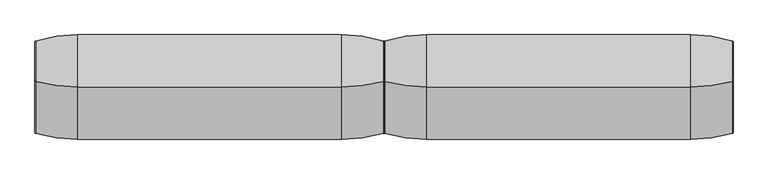
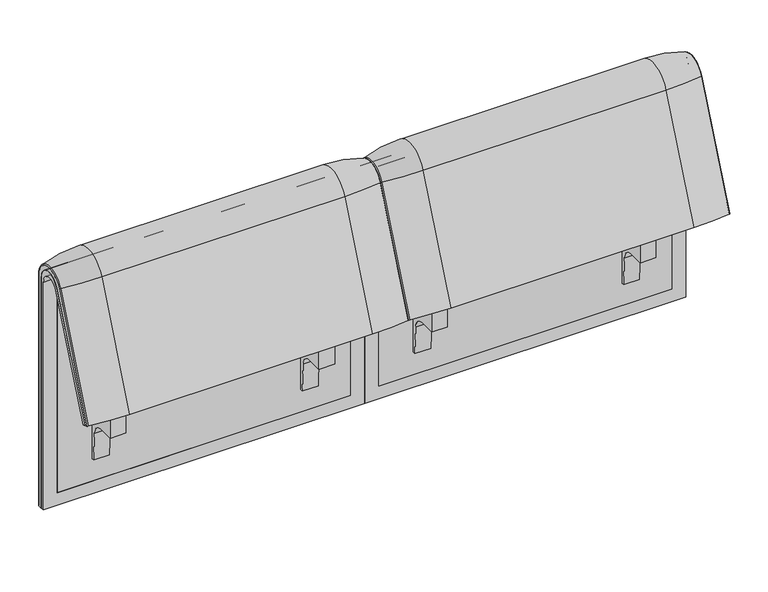
"""IFC4 building model written with IfcOpenShell, lengths in millimetres: furniture geometry."""

from ifc_helpers import new_model, si_unit, point, frame, frame_2d, origin, place, context, project, spatial, polyline, circle_curve, ellipse_curve, trimmed, segment, composite_curve, outline, extrude, source, transform, mapped, element, save
from ifc_brep_helpers import plane_surface, cylinder_surface, revolved_surface, advanced_brep


def furniture_6448b283(model_context):
    return source(origin(), model_context, "Body", "SolidModel", [
        advanced_brep(
        [(1223.9884174, 351.0000061, 101.8476716), (1223.9884174, 359.7858817, 101.8476716), (1223.9884174, 359.7858817, 720.3417731), (1223.9884174, 292.4403877, 733.7122262), (1223.9884174, 170.1966807, 437.98305), (1223.9884174, 175.0204081, 435.9866665), (1223.9884174, 296.2458652, 723.9869215), (1223.9884174, 351.0000061, 712.9272623), (408.0071685, 351.0000061, 101.8476716), (408.0071685, 351.0000061, 712.9272623), (408.0071685, 296.2720241, 723.9759107), (408.0071685, 175.0204081, 435.9866665), (408.0071685, 170.1966807, 437.98305), (408.0071685, 292.4403877, 733.7122262), (408.0071685, 359.7858817, 720.3417731), (408.0071685, 359.7858817, 101.8476716), (1189.0718733, 292.4403877, 733.7122262), (1189.0718733, 176.0980387, 452.25948), (442.8906244, 176.0980387, 452.25948), (442.8906244, 292.4403877, 733.7122262), (442.8906244, 296.2458652, 723.9869215), (442.8906244, 181.0136548, 450.2250668), (1189.0718733, 181.0136548, 450.2250668), (1189.0718733, 296.2458652, 723.9869215), (1189.0718733, 351.0000061, 712.9272623), (1189.0718733, 351.0000061, 135.3766997), (442.8906244, 351.0000061, 135.3766997), (442.8906244, 351.0000061, 712.9272623), (442.8906244, 359.7858817, 720.3417731), (442.8906244, 359.7858817, 135.3766997), (1189.0718733, 359.7858817, 135.3766997), (1189.0718733, 359.7858817, 720.3417731)],
        [
            (0, 1),
            (1, 2),
            (2, 3, circle_curve(frame((1223.9884174, 324.7858817, 720.3417731), z_axis=(1.0, 0.0, 0.0), x_axis=(0.0, -1.0, 0.0)), 35.0)),
            (3, 4),
            (4, 5),
            (5, 6),
            (6, 7, circle_curve(frame((1223.9884174, 322.520748, 712.9272623), z_axis=(-1.0, 0.0, 0.0), x_axis=(0.0, -1.0, 0.0)), 28.479258)),
            (7, 0),
            (8, 9),
            (9, 10, circle_curve(frame((408.0071685, 322.520748, 712.9272623), z_axis=(1.0, 0.0, 0.0), x_axis=(0.0, -1.0, 0.0)), 28.479258)),
            (10, 11),
            (11, 12),
            (12, 13),
            (13, 14, circle_curve(frame((408.0071685, 324.7858817, 720.3417731), z_axis=(-1.0, 0.0, 0.0), x_axis=(0.0, -1.0, 0.0)), 35.0)),
            (14, 15),
            (15, 8),
            (3, 16),
            (16, 17),
            (17, 18),
            (18, 19),
            (19, 13),
            (12, 4),
            (11, 5),
            (10, 20),
            (20, 21),
            (21, 22),
            (22, 23),
            (23, 6),
            (7, 24),
            (24, 25),
            (25, 26),
            (26, 27),
            (27, 9),
            (8, 0),
            (15, 1),
            (14, 28),
            (28, 29),
            (29, 30),
            (30, 31),
            (31, 2),
            (31, 16, circle_curve(frame((1189.0718733, 324.7858817, 720.3417731), z_axis=(1.0, 0.0, 0.0), x_axis=(0.0, -1.0, 0.0)), 35.0)),
            (19, 28, circle_curve(frame((442.8906244, 324.7858817, 720.3417731), z_axis=(-1.0, 0.0, 0.0), x_axis=(0.0, -1.0, 0.0)), 35.0)),
            (23, 24, circle_curve(frame((1189.0718733, 322.520748, 712.9272623), z_axis=(-1.0, 0.0, 0.0), x_axis=(0.0, -1.0, 0.0)), 28.479258)),
            (27, 20, circle_curve(frame((442.8906244, 322.520748, 712.9272623), z_axis=(1.0, 0.0, 0.0), x_axis=(0.0, -1.0, 0.0)), 28.479258)),
            (22, 17),
            (30, 25),
            (26, 29),
            (18, 21),
        ],
        [
            plane_surface(frame((1223.9884174, 359.7858817, 101.8476716), z_axis=(1.0, 0.0, 0.0), x_axis=(0.0, 1.0, 0.0))),
            plane_surface(frame((408.0071685, 359.7858817, 101.8476716), z_axis=(-1.0, 0.0, 0.0), x_axis=(0.0, -1.0, 0.0))),
            plane_surface(frame((1223.9884174, 292.4403877, 733.7122262), z_axis=(0.0, -0.9241569717933176, 0.3820129467515535), x_axis=(-1.0, 0.0, 0.0))),
            plane_surface(frame((1223.9884174, 170.1966807, 437.98305), z_axis=(0.0, -0.38241039441983893, -0.9239925812687368), x_axis=(-1.0, 0.0, 0.0))),
            plane_surface(frame((1223.9884174, 175.0204081, 435.9866665), z_axis=(0.0, 0.921678643444566, -0.3879542218073993), x_axis=(-1.0, 0.0, 0.0))),
            plane_surface(frame((1223.9884174, 351.0000061, 712.9272623), z_axis=(0.0, -1.0, 0.0), x_axis=(-1.0, 0.0, 0.0))),
            plane_surface(frame((1223.9884174, 351.0000061, 101.8476716), z_axis=(0.0, 0.0, -1.0), x_axis=(-1.0, 0.0, 0.0))),
            plane_surface(frame((1223.9884174, 359.7858817, 101.8476716), z_axis=(0.0, 1.0, 0.0), x_axis=(-1.0, 0.0, 0.0))),
            cylinder_surface(frame((408.0071685, 324.7858817, 720.3417731), z_axis=(1.0, 0.0, 0.0), x_axis=(0.0, -1.0, 0.0)), 35.0),
            revolved_surface(polyline([(1189.0718733, 294.04149, 712.9272623), (1223.9884174, 294.04149, 712.9272623)]), (408.0071685, 322.520748, 712.9272623), (-1.0, 0.0, 0.0)),
            revolved_surface(polyline([(408.0071685, 294.04149, 712.9272623), (442.8906244, 294.04149, 712.9272623)]), (408.0071685, 322.520748, 712.9272623), (-1.0, 0.0, 0.0)),
            plane_surface(frame((1189.0718733, 359.7858817, 135.3766997), z_axis=(-1.0, 0.0, 0.0), x_axis=(0.0, 1.0, 0.0))),
            plane_surface(frame((442.8906244, 359.7858817, 135.3766997), z_axis=(1.0, 0.0, 0.0), x_axis=(0.0, -1.0, 0.0))),
            plane_surface(frame((1189.0718733, 166.9120641, 456.0612553), z_axis=(0.0, 0.38241039441982605, 0.9239925812687422), x_axis=(-1.0, 0.0, 0.0))),
            plane_surface(frame((1189.0718733, 344.7858817, 135.3766997), z_axis=(0.0, 0.0, 1.0), x_axis=(-1.0, 0.0, 0.0))),
        ],
        [
            (0, [[1, 2, 3, 4, 5, 6, 7, 8]]),
            (1, [[9, 10, 11, 12, 13, 14, 15, 16]]),
            (2, [[-4, 17, 18, 19, 20, 21, -13, 22]]),
            (3, [[-5, -22, -12, 23]]),
            (4, [[-6, -23, -11, 24, 25, 26, 27, 28]]),
            (5, [[-8, 29, 30, 31, 32, 33, -9, 34]]),
            (6, [[-1, -34, -16, 35]]),
            (7, [[-2, -35, -15, 36, 37, 38, 39, 40]]),
            (8, [[-3, -40, 41, -17]]),
            (8, [[-14, -21, 42, -36]]),
            (9, [[-7, -28, 43, -29]]),
            (10, [[-10, -33, 44, -24]]),
            (11, [[45, -18, -41, -39, 46, -30, -43, -27]]),
            (12, [[47, -37, -42, -20, 48, -25, -44, -32]]),
            (13, [[-45, -26, -48, -19]]),
            (14, [[-46, -38, -47, -31]]),
        ],
    ),
        advanced_brep(
        [(1189.0718733, 351.0000061, 135.3766997), (1189.0718733, 359.7858817, 135.3766997), (1189.0718733, 359.7858817, 720.3417731), (1189.0718733, 292.4403877, 733.7122262), (1189.0718733, 176.0980387, 452.25948), (1189.0718733, 181.0136548, 450.2250668), (1189.0718733, 296.2458652, 723.9869215), (1189.0718733, 351.0000061, 712.9272623), (442.8906244, 351.0000061, 135.3766997), (442.8906244, 351.0000061, 712.9272623), (442.8906244, 296.2720241, 723.9759107), (442.8906244, 181.0136548, 450.2250668), (442.8906244, 176.0980387, 452.25948), (442.8906244, 292.4403877, 733.7122262), (442.8906244, 359.7858817, 720.3417731), (442.8906244, 359.7858817, 135.3766997)],
        [
            (0, 1),
            (1, 2),
            (2, 3, circle_curve(frame((1189.0718733, 324.7858817, 720.3417731), z_axis=(1.0, 0.0, 0.0), x_axis=(0.0, -1.0, 0.0)), 35.0)),
            (3, 4),
            (4, 5),
            (5, 6),
            (6, 7, circle_curve(frame((1189.0718733, 322.520748, 712.9272623), z_axis=(-1.0, 0.0, 0.0), x_axis=(0.0, -1.0, 0.0)), 28.479258)),
            (7, 0),
            (8, 9),
            (9, 10, circle_curve(frame((442.8906244, 322.520748, 712.9272623), z_axis=(1.0, 0.0, 0.0), x_axis=(0.0, -1.0, 0.0)), 28.479258)),
            (10, 11),
            (11, 12),
            (12, 13),
            (13, 14, circle_curve(frame((442.8906244, 324.7858817, 720.3417731), z_axis=(-1.0, 0.0, 0.0), x_axis=(0.0, -1.0, 0.0)), 35.0)),
            (14, 15),
            (15, 8),
            (3, 13),
            (12, 4),
            (11, 5),
            (10, 6),
            (7, 9),
            (8, 0),
            (15, 1),
            (14, 2),
        ],
        [
            plane_surface(frame((1189.0718733, 359.7858817, 135.3766997), z_axis=(1.0, 0.0, 0.0), x_axis=(0.0, 1.0, 0.0))),
            plane_surface(frame((442.8906244, 359.7858817, 135.3766997), z_axis=(-1.0, 0.0, 0.0), x_axis=(0.0, -1.0, 0.0))),
            plane_surface(frame((1189.0718733, 292.4403877, 733.7122262), z_axis=(0.0, -0.9241569717933176, 0.3820129467515535), x_axis=(-1.0, 0.0, 0.0))),
            plane_surface(frame((1189.0718733, 176.0980387, 452.25948), z_axis=(0.0, -0.38241039441982716, -0.9239925812687417), x_axis=(-1.0, 0.0, 0.0))),
            plane_surface(frame((1189.0718733, 181.0136548, 450.2250668), z_axis=(0.0, 0.921678643444566, -0.3879542218073993), x_axis=(-1.0, 0.0, 0.0))),
            plane_surface(frame((1189.0718733, 351.0000061, 712.9272623), z_axis=(0.0, -1.0, 0.0), x_axis=(-1.0, 0.0, 0.0))),
            plane_surface(frame((1189.0718733, 351.0000061, 135.3766997), z_axis=(0.0, 0.0, -1.0), x_axis=(-1.0, 0.0, 0.0))),
            plane_surface(frame((1189.0718733, 359.7858817, 135.3766997), z_axis=(0.0, 1.0, 0.0), x_axis=(-1.0, 0.0, 0.0))),
            cylinder_surface(frame((442.8906244, 324.7858817, 720.3417731), z_axis=(1.0, 0.0, 0.0), x_axis=(0.0, -1.0, 0.0)), 35.0),
            revolved_surface(polyline([(442.8906244, 294.04149, 712.9272623), (1189.0718733, 294.04149, 712.9272623)]), (442.8906244, 322.520748, 712.9272623), (-1.0, 0.0, 0.0)),
        ],
        [
            (0, [[1, 2, 3, 4, 5, 6, 7, 8]]),
            (1, [[9, 10, 11, 12, 13, 14, 15, 16]]),
            (2, [[-4, 17, -13, 18]]),
            (3, [[-5, -18, -12, 19]]),
            (4, [[-6, -19, -11, 20]]),
            (5, [[-8, 21, -9, 22]]),
            (6, [[-1, -22, -16, 23]]),
            (7, [[-2, -23, -15, 24]]),
            (8, [[-3, -24, -14, -17]]),
            (9, [[-7, -20, -10, -21]]),
        ],
    ),
        extrude(outline(composite_curve([segment(trimmed(circle_curve(frame_2d((305.0000061, 379.9223263)), 30.0), [point((305.0000061, 349.9223263))], [point((335.0000061, 379.9223263))], True, "CARTESIAN"), True, "CONTINUOUS"), segment(polyline([(335.0000061, 379.9223263), (335.0000061, 515.0657595)]), True, "CONTINUOUS"), segment(trimmed(circle_curve(frame_2d((305.0000061, 515.0657595)), 30.0), [point((335.0000061, 515.0657595))], [point((316.7219399, 542.6809051))], True, "CARTESIAN"), True, "CONTINUOUS"), segment(polyline([(316.7219399, 542.6809051), (257.4911714, 567.8228747)]), True, "CONTINUOUS"), segment(trimmed(circle_curve(frame_2d((251.6302045, 554.0153019)), 15.0), [point((257.4911714, 567.8228747))], [point((238.0355877, 560.3545758))], True, "CARTESIAN"), True, "CONTINUOUS"), segment(polyline([(238.0355877, 560.3545758), (222.2725218, 526.5505721), (213.7507451, 529.5682915), (296.3054528, 724.0549949)]), True, "CONTINUOUS"), segment(trimmed(circle_curve(frame_2d((322.520748, 712.9272623)), 28.479258), [point((296.3054528, 724.0549949))], [point((351.0000061, 712.9272623))], False, "CARTESIAN"), True, "CONTINUOUS"), segment(polyline([(351.0000061, 712.9272623), (351.0000061, 197.0551771), (343.3075759, 197.0551771), (339.4064861, 271.492405)]), True, "CONTINUOUS"), segment(trimmed(circle_curve(frame_2d((309.4476, 269.9223263)), 30.0), [point((339.4064861, 271.492405))], [point((309.4476, 299.9223263))], True, "CARTESIAN"), True, "CONTINUOUS"), segment(polyline([(309.4476, 299.9223263), (270.0000061, 299.9223263), (270.0000061, 359.9223263), (275.0000061, 359.9223263)]), True, "CONTINUOUS"), segment(trimmed(circle_curve(frame_2d((285.0000061, 359.9223263)), 10.0), [point((275.0000061, 359.9223263))], [point((285.0000061, 349.9223263))], True, "CARTESIAN"), True, "CONTINUOUS"), segment(polyline([(285.0000061, 349.9223263), (305.0000061, 349.9223263)]), True, "CONTINUOUS")], self_intersect=False), holes=[composite_curve([segment(polyline([(337.5000061, 576.3274105), (337.5000061, 716.7072663)]), True, "CONTINUOUS"), segment(trimmed(circle_curve(frame_2d((322.5000061, 716.7072663)), 15.0), [point((337.5000061, 716.7072663))], [point((308.9053893, 723.0465402))], True, "CARTESIAN"), True, "CONTINUOUS"), segment(polyline([(308.9053893, 723.0465402), (253.6256191, 604.4986904)]), True, "CONTINUOUS"), segment(trimmed(circle_curve(frame_2d((271.7517748, 596.0463251)), 20.0), [point((253.6256191, 604.4986904))], [point((265.0756376, 577.1934953))], True, "CARTESIAN"), True, "CONTINUOUS"), segment(polyline([(265.0756376, 577.1934953), (314.1406626, 559.8186587)]), True, "CONTINUOUS"), segment(trimmed(circle_curve(frame_2d((319.9867182, 576.3274105)), 17.5132879), [point((314.1406626, 559.8186587))], [point((337.5000061, 576.3274105))], True, "CARTESIAN"), True, "CONTINUOUS")], self_intersect=False)]), frame((1060.9760457, 0.0, 0.0), z_axis=(1.0, 0.0, 0.0), x_axis=(0.0, 1.0, 0.0)), (0.0, 0.0, 1.0), 40.0),
        advanced_brep(
        [(1123.9884174, 388.2902376, 100.5089435), (1221.8497889, 373.93893, 100.5089435), (1223.9884174, 371.0652495, 100.5089435), (1223.9884174, 359.7858817, 100.5089435), (407.9740803, 359.7858817, 100.5089435), (407.9740803, 371.0652495, 100.5089435), (410.1127088, 373.93893, 100.5089435), (507.9740803, 388.2902376, 100.5089435), (507.9740803, 388.2902376, 720.3417731), (1123.9884174, 388.2902376, 720.3417731), (1221.8497889, 373.93893, 720.3417731), (1223.9884174, 371.0652495, 720.3417731), (1223.9884174, 282.0164812, 738.0210907), (1223.9884174, 159.7723383, 442.2908598), (1223.9884174, 170.1962447, 437.9819952), (1223.9884174, 292.4403877, 733.7122262), (1223.9884174, 359.7858817, 720.3417731), (407.9740803, 359.7858817, 720.3417731), (1123.9884174, 143.8537454, 448.8710282), (507.9740803, 143.8537454, 448.8710282), (410.1127088, 157.1166065, 443.3886429), (407.9740803, 159.7723383, 442.2908598), (407.9740803, 170.1962447, 437.9819952), (1221.8497889, 157.1166065, 443.3886429), (1123.9884174, 266.0978884, 744.6012592), (507.9740803, 266.0978884, 744.6012592), (1221.8497889, 279.3607494, 739.1188739), (407.9740803, 292.4403877, 733.7122262), (407.9740803, 282.0164812, 738.0210907), (407.9740803, 371.0652495, 720.3417731), (410.1127088, 373.93893, 720.3417731), (410.1127088, 279.3607494, 739.1188739)],
        [
            (0, 1, circle_curve(frame((1123.9884174, 47.4569043, 100.5089435), z_axis=(0.0, 0.0, -1.0), x_axis=(0.0, -1.0, 0.0)), 340.8333333)),
            (1, 2, circle_curve(frame((1220.9884174, 371.0652495, 100.5089435), z_axis=(0.0, 0.0, -1.0), x_axis=(1.0, 0.0, 0.0)), 3.0)),
            (2, 3),
            (3, 4),
            (4, 5),
            (5, 6, circle_curve(frame((410.9740803, 371.0652495, 100.5089435), z_axis=(0.0, 0.0, -1.0), x_axis=(-1.0, 0.0, 0.0)), 3.0)),
            (6, 7, circle_curve(frame((507.9740803, 47.4569043, 100.5089435), z_axis=(0.0, 0.0, -1.0), x_axis=(0.0, -1.0, 0.0)), 340.8333333)),
            (7, 0),
            (7, 8),
            (8, 9),
            (9, 0),
            (9, 10, circle_curve(frame((1123.9884174, 47.4569043, 720.3417731), z_axis=(0.0, 0.0, -1.0), x_axis=(0.0, -1.0, 0.0)), 340.8333333)),
            (10, 1),
            (10, 11, circle_curve(frame((1220.9884174, 371.0652495, 720.3417731), z_axis=(0.0, 0.0, -1.0), x_axis=(1.0, 0.0, 0.0)), 3.0)),
            (11, 2),
            (11, 12, circle_curve(frame((1223.9884174, 324.7858817, 720.3417731), z_axis=(1.0, 0.0, 0.0), x_axis=(0.0, 1.0, 0.0)), 46.2793679)),
            (12, 13),
            (13, 14),
            (14, 15),
            (15, 16, circle_curve(frame((1223.9884174, 324.7858817, 720.3417731), z_axis=(-1.0, 0.0, 0.0), x_axis=(0.0, 1.0, 0.0)), 35.0)),
            (16, 3),
            (16, 17),
            (17, 4),
            (18, 19),
            (19, 20, circle_curve(frame((507.9740803, 458.8372467, 318.6682822), z_axis=(0.0, -0.38201294675155345, -0.9241569717933176), x_axis=(0.0, 0.9241569717933176, -0.38201294675155345)), 340.8333333)),
            (20, 21, circle_curve(frame((410.9740803, 159.7723383, 442.2908598), z_axis=(0.0, -0.38201294675155345, -0.9241569717933176), x_axis=(-1.0, 0.0, 0.0)), 3.0)),
            (21, 22),
            (22, 14),
            (13, 23, circle_curve(frame((1220.9884174, 159.7723383, 442.2908598), z_axis=(0.0, -0.38201294675155345, -0.9241569717933176), x_axis=(1.0, 0.0, 0.0)), 3.0)),
            (23, 18, circle_curve(frame((1123.9884174, 458.8372467, 318.6682822), z_axis=(0.0, -0.38201294675155345, -0.9241569717933176), x_axis=(0.0, 0.9241569717933176, -0.38201294675155345)), 340.8333333)),
            (24, 9, circle_curve(frame((1123.9884174, 324.7858817, 720.3417731), z_axis=(-1.0, 0.0, 0.0), x_axis=(0.0, 1.0, 0.0)), 63.5043559)),
            (8, 25, circle_curve(frame((507.9740803, 324.7858817, 720.3417731), z_axis=(1.0, 0.0, 0.0), x_axis=(0.0, 1.0, 0.0)), 63.5043559)),
            (25, 24),
            (26, 10, circle_curve(frame((1221.8497889, 324.7858817, 720.3417731), z_axis=(-1.0, 0.0, 0.0), x_axis=(0.0, 1.0, 0.0)), 49.1530483)),
            (24, 26, circle_curve(frame((1123.9884174, 581.0813896, 614.3985132), z_axis=(0.0, 0.382012946751556, 0.9241569717933165), x_axis=(0.0, 0.9241569717933165, -0.382012946751556)), 340.8333333)),
            (26, 12, circle_curve(frame((1220.9884174, 282.0164812, 738.0210907), z_axis=(0.0, 0.3820129467515552, 0.9241569717933168), x_axis=(1.0, 0.0, 0.0)), 3.0)),
            (27, 17, circle_curve(frame((407.9740803, 324.7858817, 720.3417731), z_axis=(-1.0, 0.0, 0.0), x_axis=(0.0, 1.0, 0.0)), 35.0)),
            (15, 27),
            (25, 19),
            (18, 24),
            (23, 26),
            (22, 27),
            (21, 28),
            (28, 29, circle_curve(frame((407.9740803, 324.7858817, 720.3417731), z_axis=(-1.0, 0.0, 0.0), x_axis=(0.0, 1.0, 0.0)), 46.2793679)),
            (29, 5),
            (29, 30, circle_curve(frame((410.9740803, 371.0652495, 720.3417731), z_axis=(0.0, 0.0, -1.0), x_axis=(-1.0, 0.0, 0.0)), 3.0)),
            (30, 6),
            (30, 8, circle_curve(frame((507.9740803, 47.4569043, 720.3417731), z_axis=(0.0, 0.0, -1.0), x_axis=(0.0, -1.0, 0.0)), 340.8333333)),
            (31, 30, circle_curve(frame((410.1127088, 324.7858817, 720.3417731), z_axis=(-1.0, 0.0, 0.0), x_axis=(0.0, 1.0, 0.0)), 49.1530483)),
            (28, 31, circle_curve(frame((410.9740803, 282.0164812, 738.0210907), z_axis=(0.0, 0.3820129467515544, 0.9241569717933172), x_axis=(-1.0, 0.0, 0.0)), 3.0)),
            (31, 25, circle_curve(frame((507.9740803, 581.0813896, 614.3985132), z_axis=(0.0, 0.3820129467515532, 0.9241569717933177), x_axis=(0.0, 0.9241569717933177, -0.3820129467515532)), 340.8333333)),
            (20, 31),
        ],
        [
            plane_surface(frame((820.7462721, 359.7858817, 100.5089435), z_axis=(0.0, 0.0, -1.0), x_axis=(1.0, 0.0, 0.0))),
            plane_surface(frame((507.9740803, 388.2902376, 100.5089435), z_axis=(0.0, 1.0, 0.0), x_axis=(0.0, 0.0, 1.0))),
            cylinder_surface(frame((1123.9884174, 47.4569043, 100.5089435), z_axis=(0.0, 0.0, -1.0), x_axis=(0.0, -1.0, 0.0)), 340.8333333),
            cylinder_surface(frame((1220.9884174, 371.0652495, 100.5089435), z_axis=(0.0, 0.0, -1.0), x_axis=(1.0, 0.0, 0.0)), 3.0),
            plane_surface(frame((1223.9884174, 371.0652495, 100.5089435), z_axis=(1.0, 0.0, 0.0), x_axis=(0.0, 0.0, 1.0))),
            plane_surface(frame((1223.9884174, 359.7858817, 100.5089435), z_axis=(0.0, -1.0, 0.0), x_axis=(0.0, 0.0, 1.0))),
            plane_surface(frame((820.7462721, 170.1962447, 437.9819952), z_axis=(0.0, -0.38201294675155345, -0.9241569717933176), x_axis=(1.0, 0.0, 0.0))),
            cylinder_surface(frame((820.7462721, 324.7858817, 720.3417731), z_axis=(1.0, 0.0, 0.0), x_axis=(0.0, 1.0, 0.0)), 63.5043559),
            revolved_surface(trimmed(ellipse_curve(frame((1123.9884174, 47.4569043, 720.3417731), z_axis=(0.0, 0.0, -1.0), x_axis=(0.0, -1.0, 0.0)), 340.8333333, 340.8333333), [point((1123.9884174, 388.2902376, 720.3417731))], [point((1221.8497889, 373.93893, 720.3417731))], True, "CARTESIAN"), (820.7462721, 324.7858817, 720.3417731), (1.0, 0.0, 0.0)),
            revolved_surface(trimmed(ellipse_curve(frame((1220.9884174, 371.0652495, 720.3417731), z_axis=(0.0, 0.0, -1.0), x_axis=(1.0, 0.0, 0.0)), 3.0, 3.0), [point((1221.8497889, 373.93893, 720.3417731))], [point((1223.9884174, 371.0652495, 720.3417731))], True, "CARTESIAN"), (820.7462721, 324.7858817, 720.3417731), (1.0, 0.0, 0.0)),
            revolved_surface(polyline([(1223.9884174, 359.7858817, 720.3417731), (407.9740803, 359.7858817, 720.3417731)]), (820.7462721, 324.7858817, 720.3417731), (1.0, 0.0, 0.0)),
            plane_surface(frame((507.9740803, 266.0978884, 744.6012592), z_axis=(0.0, -0.9241569717933176, 0.38201294675155356), x_axis=(0.0, -0.38201294675155356, -0.9241569717933176))),
            cylinder_surface(frame((1123.9884174, 581.0813896, 614.3985132), z_axis=(0.0, 0.38201294675155345, 0.9241569717933176), x_axis=(0.0, 0.9241569717933176, -0.38201294675155345)), 340.8333333),
            cylinder_surface(frame((1220.9884174, 282.0164812, 738.0210907), z_axis=(0.0, 0.38201294675155345, 0.9241569717933176), x_axis=(1.0, 0.0, 0.0)), 3.0),
            plane_surface(frame((1223.9884174, 292.4403877, 733.7122262), z_axis=(0.0, 0.9241569717933176, -0.38201294675155356), x_axis=(0.0, -0.38201294675155356, -0.9241569717933176))),
            plane_surface(frame((407.9740803, 359.7858817, 100.5089435), z_axis=(-1.0, 0.0, 0.0), x_axis=(0.0, 0.0, 1.0))),
            cylinder_surface(frame((410.9740803, 371.0652495, 100.5089435), z_axis=(0.0, 0.0, -1.0), x_axis=(-1.0, 0.0, 0.0)), 3.0),
            cylinder_surface(frame((507.9740803, 47.4569043, 100.5089435), z_axis=(0.0, 0.0, -1.0), x_axis=(0.0, -1.0, 0.0)), 340.8333333),
            revolved_surface(trimmed(ellipse_curve(frame((410.9740803, 371.0652495, 720.3417731), z_axis=(0.0, 0.0, -1.0), x_axis=(-1.0, 0.0, 0.0)), 3.0, 3.0), [point((407.9740803, 371.0652495, 720.3417731))], [point((410.1127088, 373.93893, 720.3417731))], True, "CARTESIAN"), (820.7462721, 324.7858817, 720.3417731), (1.0, 0.0, 0.0)),
            revolved_surface(trimmed(ellipse_curve(frame((507.9740803, 47.4569043, 720.3417731), z_axis=(0.0, 0.0, -1.0), x_axis=(0.0, -1.0, 0.0)), 340.8333333, 340.8333333), [point((410.1127088, 373.93893, 720.3417731))], [point((507.9740803, 388.2902376, 720.3417731))], True, "CARTESIAN"), (820.7462721, 324.7858817, 720.3417731), (1.0, 0.0, 0.0)),
            cylinder_surface(frame((410.9740803, 282.0164812, 738.0210907), z_axis=(0.0, 0.38201294675155345, 0.9241569717933176), x_axis=(-1.0, 0.0, 0.0)), 3.0),
            cylinder_surface(frame((507.9740803, 581.0813896, 614.3985132), z_axis=(0.0, 0.38201294675155345, 0.9241569717933176), x_axis=(0.0, 0.9241569717933176, -0.38201294675155345)), 340.8333333),
        ],
        [
            (0, [[1, 2, 3, 4, 5, 6, 7, 8]]),
            (1, [[-8, 9, 10, 11]]),
            (2, [[-1, -11, 12, 13]]),
            (3, [[-2, -13, 14, 15]]),
            (4, [[-3, -15, 16, 17, 18, 19, 20, 21]]),
            (5, [[-4, -21, 22, 23]]),
            (6, [[24, 25, 26, 27, 28, -18, 29, 30]]),
            (7, [[31, -10, 32, 33]]),
            (8, [[34, -12, -31, 35]]),
            (9, [[-16, -14, -34, 36]]),
            (10, [[37, -22, -20, 38]]),
            (11, [[-33, 39, -24, 40]]),
            (12, [[-35, -40, -30, 41]]),
            (13, [[-36, -41, -29, -17]]),
            (14, [[-38, -19, -28, 42]]),
            (15, [[-5, -23, -37, -42, -27, 43, 44, 45]]),
            (16, [[-6, -45, 46, 47]]),
            (17, [[-7, -47, 48, -9]]),
            (18, [[49, -46, -44, 50]]),
            (19, [[-32, -48, -49, 51]]),
            (20, [[-50, -43, -26, 52]]),
            (21, [[-51, -52, -25, -39]]),
        ],
    ),
        extrude(outline(composite_curve([segment(trimmed(circle_curve(frame_2d((305.0000061, 379.9223263)), 30.0), [point((305.0000061, 349.9223263))], [point((335.0000061, 379.9223263))], True, "CARTESIAN"), True, "CONTINUOUS"), segment(polyline([(335.0000061, 379.9223263), (335.0000061, 515.0657595)]), True, "CONTINUOUS"), segment(trimmed(circle_curve(frame_2d((305.0000061, 515.0657595)), 30.0), [point((335.0000061, 515.0657595))], [point((316.7219399, 542.6809051))], True, "CARTESIAN"), True, "CONTINUOUS"), segment(polyline([(316.7219399, 542.6809051), (257.4911714, 567.8228747)]), True, "CONTINUOUS"), segment(trimmed(circle_curve(frame_2d((251.6302045, 554.0153019)), 15.0), [point((257.4911714, 567.8228747))], [point((238.0355877, 560.3545758))], True, "CARTESIAN"), True, "CONTINUOUS"), segment(polyline([(238.0355877, 560.3545758), (222.2725218, 526.5505721), (213.7507451, 529.5682915), (296.3054528, 724.0549949)]), True, "CONTINUOUS"), segment(trimmed(circle_curve(frame_2d((322.520748, 712.9272623)), 28.479258), [point((296.3054528, 724.0549949))], [point((351.0000061, 712.9272623))], False, "CARTESIAN"), True, "CONTINUOUS"), segment(polyline([(351.0000061, 712.9272623), (351.0000061, 197.0551771), (343.3075759, 197.0551771), (339.4064861, 271.492405)]), True, "CONTINUOUS"), segment(trimmed(circle_curve(frame_2d((309.4476, 269.9223263)), 30.0), [point((339.4064861, 271.492405))], [point((309.4476, 299.9223263))], True, "CARTESIAN"), True, "CONTINUOUS"), segment(polyline([(309.4476, 299.9223263), (270.0000061, 299.9223263), (270.0000061, 359.9223263), (275.0000061, 359.9223263)]), True, "CONTINUOUS"), segment(trimmed(circle_curve(frame_2d((285.0000061, 359.9223263)), 10.0), [point((275.0000061, 359.9223263))], [point((285.0000061, 349.9223263))], True, "CARTESIAN"), True, "CONTINUOUS"), segment(polyline([(285.0000061, 349.9223263), (305.0000061, 349.9223263)]), True, "CONTINUOUS")], self_intersect=False), holes=[composite_curve([segment(polyline([(337.5000061, 576.3274105), (337.5000061, 716.7072663)]), True, "CONTINUOUS"), segment(trimmed(circle_curve(frame_2d((322.5000061, 716.7072663)), 15.0), [point((337.5000061, 716.7072663))], [point((308.9053893, 723.0465402))], True, "CARTESIAN"), True, "CONTINUOUS"), segment(polyline([(308.9053893, 723.0465402), (253.6256191, 604.4986904)]), True, "CONTINUOUS"), segment(trimmed(circle_curve(frame_2d((271.7517748, 596.0463251)), 20.0), [point((253.6256191, 604.4986904))], [point((265.0756376, 577.1934953))], True, "CARTESIAN"), True, "CONTINUOUS"), segment(polyline([(265.0756376, 577.1934953), (314.1406626, 559.8186587)]), True, "CONTINUOUS"), segment(trimmed(circle_curve(frame_2d((319.9867182, 576.3274105)), 17.5132879), [point((314.1406626, 559.8186587))], [point((337.5000061, 576.3274105))], True, "CARTESIAN"), True, "CONTINUOUS")], self_intersect=False)]), frame((530.986452, 0.0, 0.0), z_axis=(1.0, 0.0, 0.0), x_axis=(0.0, 1.0, 0.0)), (0.0, 0.0, 1.0), 40.0),
        advanced_brep(
        [(408.0071685, 351.0000061, 101.8476716), (408.0071685, 359.7858817, 101.8476716), (408.0071685, 359.7858817, 720.3417731), (408.0071685, 292.4403877, 733.7122262), (408.0071685, 170.1966807, 437.98305), (408.0071685, 175.0204081, 435.9866665), (408.0071685, 296.2458652, 723.9869215), (408.0071685, 351.0000061, 712.9272623), (-407.9740803, 351.0000061, 101.8476716), (-407.9740803, 351.0000061, 712.9272623), (-407.9740803, 296.2720241, 723.9759107), (-407.9740803, 175.0204081, 435.9866665), (-407.9740803, 170.1966807, 437.98305), (-407.9740803, 292.4403877, 733.7122262), (-407.9740803, 359.7858817, 720.3417731), (-407.9740803, 359.7858817, 101.8476716), (373.0906244, 292.4403877, 733.7122262), (373.0906244, 176.0980387, 452.25948), (-373.0906244, 176.0980387, 452.25948), (-373.0906244, 292.4403877, 733.7122262), (-373.0906244, 296.2458652, 723.9869215), (-373.0906244, 181.0136548, 450.2250668), (373.0906244, 181.0136548, 450.2250668), (373.0906244, 296.2458652, 723.9869215), (373.0906244, 351.0000061, 712.9272623), (373.0906244, 351.0000061, 135.3766997), (-373.0906244, 351.0000061, 135.3766997), (-373.0906244, 351.0000061, 712.9272623), (-373.0906244, 359.7858817, 720.3417731), (-373.0906244, 359.7858817, 135.3766997), (373.0906244, 359.7858817, 135.3766997), (373.0906244, 359.7858817, 720.3417731)],
        [
            (0, 1),
            (1, 2),
            (2, 3, circle_curve(frame((408.0071685, 324.7858817, 720.3417731), z_axis=(1.0, 0.0, 0.0), x_axis=(0.0, -1.0, 0.0)), 35.0)),
            (3, 4),
            (4, 5),
            (5, 6),
            (6, 7, circle_curve(frame((408.0071685, 322.520748, 712.9272623), z_axis=(-1.0, 0.0, 0.0), x_axis=(0.0, -1.0, 0.0)), 28.479258)),
            (7, 0),
            (8, 9),
            (9, 10, circle_curve(frame((-407.9740803, 322.520748, 712.9272623), z_axis=(1.0, 0.0, 0.0), x_axis=(0.0, -1.0, 0.0)), 28.479258)),
            (10, 11),
            (11, 12),
            (12, 13),
            (13, 14, circle_curve(frame((-407.9740803, 324.7858817, 720.3417731), z_axis=(-1.0, 0.0, 0.0), x_axis=(0.0, -1.0, 0.0)), 35.0)),
            (14, 15),
            (15, 8),
            (3, 16),
            (16, 17),
            (17, 18),
            (18, 19),
            (19, 13),
            (12, 4),
            (11, 5),
            (10, 20),
            (20, 21),
            (21, 22),
            (22, 23),
            (23, 6),
            (7, 24),
            (24, 25),
            (25, 26),
            (26, 27),
            (27, 9),
            (8, 0),
            (15, 1),
            (14, 28),
            (28, 29),
            (29, 30),
            (30, 31),
            (31, 2),
            (31, 16, circle_curve(frame((373.0906244, 324.7858817, 720.3417731), z_axis=(1.0, 0.0, 0.0), x_axis=(0.0, -1.0, 0.0)), 35.0)),
            (19, 28, circle_curve(frame((-373.0906244, 324.7858817, 720.3417731), z_axis=(-1.0, 0.0, 0.0), x_axis=(0.0, -1.0, 0.0)), 35.0)),
            (23, 24, circle_curve(frame((373.0906244, 322.520748, 712.9272623), z_axis=(-1.0, 0.0, 0.0), x_axis=(0.0, -1.0, 0.0)), 28.479258)),
            (27, 20, circle_curve(frame((-373.0906244, 322.520748, 712.9272623), z_axis=(1.0, 0.0, 0.0), x_axis=(0.0, -1.0, 0.0)), 28.479258)),
            (22, 17),
            (30, 25),
            (26, 29),
            (18, 21),
        ],
        [
            plane_surface(frame((408.0071685, 359.7858817, 101.8476716), z_axis=(1.0, 0.0, 0.0), x_axis=(0.0, 1.0, 0.0))),
            plane_surface(frame((-407.9740803, 359.7858817, 101.8476716), z_axis=(-1.0, 0.0, 0.0), x_axis=(0.0, -1.0, 0.0))),
            plane_surface(frame((408.0071685, 292.4403877, 733.7122262), z_axis=(0.0, -0.9241569717933176, 0.3820129467515535), x_axis=(-1.0, 0.0, 0.0))),
            plane_surface(frame((408.0071685, 170.1966807, 437.98305), z_axis=(0.0, -0.38241039441983893, -0.9239925812687368), x_axis=(-1.0, 0.0, 0.0))),
            plane_surface(frame((408.0071685, 175.0204081, 435.9866665), z_axis=(0.0, 0.921678643444566, -0.3879542218073993), x_axis=(-1.0, 0.0, 0.0))),
            plane_surface(frame((408.0071685, 351.0000061, 712.9272623), z_axis=(0.0, -1.0, 0.0), x_axis=(-1.0, 0.0, 0.0))),
            plane_surface(frame((408.0071685, 351.0000061, 101.8476716), z_axis=(0.0, 0.0, -1.0), x_axis=(-1.0, 0.0, 0.0))),
            plane_surface(frame((408.0071685, 359.7858817, 101.8476716), z_axis=(0.0, 1.0, 0.0), x_axis=(-1.0, 0.0, 0.0))),
            cylinder_surface(frame((-407.9740803, 324.7858817, 720.3417731), z_axis=(1.0, 0.0, 0.0), x_axis=(0.0, -1.0, 0.0)), 35.0),
            revolved_surface(polyline([(373.09062439999997, 294.04149, 712.9272623), (408.0071685, 294.04149, 712.9272623)]), (-407.9740803, 322.520748, 712.9272623), (-1.0, 0.0, 0.0)),
            revolved_surface(polyline([(-407.9740803, 294.04149, 712.9272623), (-373.0906244, 294.04149, 712.9272623)]), (-407.9740803, 322.520748, 712.9272623), (-1.0, 0.0, 0.0)),
            plane_surface(frame((373.0906244, 359.7858817, 135.3766997), z_axis=(-1.0, 0.0, 0.0), x_axis=(0.0, 1.0, 0.0))),
            plane_surface(frame((-373.0906244, 359.7858817, 135.3766997), z_axis=(1.0, 0.0, 0.0), x_axis=(0.0, -1.0, 0.0))),
            plane_surface(frame((373.0906244, 166.9120641, 456.0612553), z_axis=(0.0, 0.38241039441982605, 0.9239925812687422), x_axis=(-1.0, 0.0, 0.0))),
            plane_surface(frame((373.0906244, 344.7858817, 135.3766997), z_axis=(0.0, 0.0, 1.0), x_axis=(-1.0, 0.0, 0.0))),
        ],
        [
            (0, [[1, 2, 3, 4, 5, 6, 7, 8]]),
            (1, [[9, 10, 11, 12, 13, 14, 15, 16]]),
            (2, [[-4, 17, 18, 19, 20, 21, -13, 22]]),
            (3, [[-5, -22, -12, 23]]),
            (4, [[-6, -23, -11, 24, 25, 26, 27, 28]]),
            (5, [[-8, 29, 30, 31, 32, 33, -9, 34]]),
            (6, [[-1, -34, -16, 35]]),
            (7, [[-2, -35, -15, 36, 37, 38, 39, 40]]),
            (8, [[-3, -40, 41, -17]]),
            (8, [[-14, -21, 42, -36]]),
            (9, [[-7, -28, 43, -29]]),
            (10, [[-10, -33, 44, -24]]),
            (11, [[45, -18, -41, -39, 46, -30, -43, -27]]),
            (12, [[47, -37, -42, -20, 48, -25, -44, -32]]),
            (13, [[-45, -26, -48, -19]]),
            (14, [[-46, -38, -47, -31]]),
        ],
    ),
        advanced_brep(
        [(373.0906244, 351.0000061, 135.3766997), (373.0906244, 359.7858817, 135.3766997), (373.0906244, 359.7858817, 720.3417731), (373.0906244, 292.4403877, 733.7122262), (373.0906244, 176.0980387, 452.25948), (373.0906244, 181.0136548, 450.2250668), (373.0906244, 296.2458652, 723.9869215), (373.0906244, 351.0000061, 712.9272623), (-373.0906244, 351.0000061, 135.3766997), (-373.0906244, 351.0000061, 712.9272623), (-373.0906244, 296.2720241, 723.9759107), (-373.0906244, 181.0136548, 450.2250668), (-373.0906244, 176.0980387, 452.25948), (-373.0906244, 292.4403877, 733.7122262), (-373.0906244, 359.7858817, 720.3417731), (-373.0906244, 359.7858817, 135.3766997)],
        [
            (0, 1),
            (1, 2),
            (2, 3, circle_curve(frame((373.0906244, 324.7858817, 720.3417731), z_axis=(1.0, 0.0, 0.0), x_axis=(0.0, -1.0, 0.0)), 35.0)),
            (3, 4),
            (4, 5),
            (5, 6),
            (6, 7, circle_curve(frame((373.0906244, 322.520748, 712.9272623), z_axis=(-1.0, 0.0, 0.0), x_axis=(0.0, -1.0, 0.0)), 28.479258)),
            (7, 0),
            (8, 9),
            (9, 10, circle_curve(frame((-373.0906244, 322.520748, 712.9272623), z_axis=(1.0, 0.0, 0.0), x_axis=(0.0, -1.0, 0.0)), 28.479258)),
            (10, 11),
            (11, 12),
            (12, 13),
            (13, 14, circle_curve(frame((-373.0906244, 324.7858817, 720.3417731), z_axis=(-1.0, 0.0, 0.0), x_axis=(0.0, -1.0, 0.0)), 35.0)),
            (14, 15),
            (15, 8),
            (3, 13),
            (12, 4),
            (11, 5),
            (10, 6),
            (7, 9),
            (8, 0),
            (15, 1),
            (14, 2),
        ],
        [
            plane_surface(frame((373.0906244, 359.7858817, 135.3766997), z_axis=(1.0, 0.0, 0.0), x_axis=(0.0, 1.0, 0.0))),
            plane_surface(frame((-373.0906244, 359.7858817, 135.3766997), z_axis=(-1.0, 0.0, 0.0), x_axis=(0.0, -1.0, 0.0))),
            plane_surface(frame((373.0906244, 292.4403877, 733.7122262), z_axis=(0.0, -0.9241569717933176, 0.3820129467515535), x_axis=(-1.0, 0.0, 0.0))),
            plane_surface(frame((373.0906244, 176.0980387, 452.25948), z_axis=(0.0, -0.38241039441982716, -0.9239925812687417), x_axis=(-1.0, 0.0, 0.0))),
            plane_surface(frame((373.0906244, 181.0136548, 450.2250668), z_axis=(0.0, 0.921678643444566, -0.3879542218073993), x_axis=(-1.0, 0.0, 0.0))),
            plane_surface(frame((373.0906244, 351.0000061, 712.9272623), z_axis=(0.0, -1.0, 0.0), x_axis=(-1.0, 0.0, 0.0))),
            plane_surface(frame((373.0906244, 351.0000061, 135.3766997), z_axis=(0.0, 0.0, -1.0), x_axis=(-1.0, 0.0, 0.0))),
            plane_surface(frame((373.0906244, 359.7858817, 135.3766997), z_axis=(0.0, 1.0, 0.0), x_axis=(-1.0, 0.0, 0.0))),
            cylinder_surface(frame((-373.0906244, 324.7858817, 720.3417731), z_axis=(1.0, 0.0, 0.0), x_axis=(0.0, -1.0, 0.0)), 35.0),
            revolved_surface(polyline([(-373.0906244, 294.04149, 712.9272623), (373.0906244, 294.04149, 712.9272623)]), (-373.0906244, 322.520748, 712.9272623), (-1.0, 0.0, 0.0)),
        ],
        [
            (0, [[1, 2, 3, 4, 5, 6, 7, 8]]),
            (1, [[9, 10, 11, 12, 13, 14, 15, 16]]),
            (2, [[-4, 17, -13, 18]]),
            (3, [[-5, -18, -12, 19]]),
            (4, [[-6, -19, -11, 20]]),
            (5, [[-8, 21, -9, 22]]),
            (6, [[-1, -22, -16, 23]]),
            (7, [[-2, -23, -15, 24]]),
            (8, [[-3, -24, -14, -17]]),
            (9, [[-7, -20, -10, -21]]),
        ],
    ),
        extrude(outline(composite_curve([segment(trimmed(circle_curve(frame_2d((305.0000061, 379.9223263)), 30.0), [point((305.0000061, 349.9223263))], [point((335.0000061, 379.9223263))], True, "CARTESIAN"), True, "CONTINUOUS"), segment(polyline([(335.0000061, 379.9223263), (335.0000061, 515.0657595)]), True, "CONTINUOUS"), segment(trimmed(circle_curve(frame_2d((305.0000061, 515.0657595)), 30.0), [point((335.0000061, 515.0657595))], [point((316.7219399, 542.6809051))], True, "CARTESIAN"), True, "CONTINUOUS"), segment(polyline([(316.7219399, 542.6809051), (257.4911714, 567.8228747)]), True, "CONTINUOUS"), segment(trimmed(circle_curve(frame_2d((251.6302045, 554.0153019)), 15.0), [point((257.4911714, 567.8228747))], [point((238.0355877, 560.3545758))], True, "CARTESIAN"), True, "CONTINUOUS"), segment(polyline([(238.0355877, 560.3545758), (222.2725218, 526.5505721), (213.7507451, 529.5682915), (296.3054528, 724.0549949)]), True, "CONTINUOUS"), segment(trimmed(circle_curve(frame_2d((322.520748, 712.9272623)), 28.479258), [point((296.3054528, 724.0549949))], [point((351.0000061, 712.9272623))], False, "CARTESIAN"), True, "CONTINUOUS"), segment(polyline([(351.0000061, 712.9272623), (351.0000061, 197.0551771), (343.3075759, 197.0551771), (339.4064861, 271.492405)]), True, "CONTINUOUS"), segment(trimmed(circle_curve(frame_2d((309.4476, 269.9223263)), 30.0), [point((339.4064861, 271.492405))], [point((309.4476, 299.9223263))], True, "CARTESIAN"), True, "CONTINUOUS"), segment(polyline([(309.4476, 299.9223263), (270.0000061, 299.9223263), (270.0000061, 359.9223263), (275.0000061, 359.9223263)]), True, "CONTINUOUS"), segment(trimmed(circle_curve(frame_2d((285.0000061, 359.9223263)), 10.0), [point((275.0000061, 359.9223263))], [point((285.0000061, 349.9223263))], True, "CARTESIAN"), True, "CONTINUOUS"), segment(polyline([(285.0000061, 349.9223263), (305.0000061, 349.9223263)]), True, "CONTINUOUS")], self_intersect=False), holes=[composite_curve([segment(polyline([(337.5000061, 576.3274105), (337.5000061, 716.7072663)]), True, "CONTINUOUS"), segment(trimmed(circle_curve(frame_2d((322.5000061, 716.7072663)), 15.0), [point((337.5000061, 716.7072663))], [point((308.9053893, 723.0465402))], True, "CARTESIAN"), True, "CONTINUOUS"), segment(polyline([(308.9053893, 723.0465402), (253.6256191, 604.4986904)]), True, "CONTINUOUS"), segment(trimmed(circle_curve(frame_2d((271.7517748, 596.0463251)), 20.0), [point((253.6256191, 604.4986904))], [point((265.0756376, 577.1934953))], True, "CARTESIAN"), True, "CONTINUOUS"), segment(polyline([(265.0756376, 577.1934953), (314.1406626, 559.8186587)]), True, "CONTINUOUS"), segment(trimmed(circle_curve(frame_2d((319.9867182, 576.3274105)), 17.5132879), [point((314.1406626, 559.8186587))], [point((337.5000061, 576.3274105))], True, "CARTESIAN"), True, "CONTINUOUS")], self_intersect=False)]), frame((244.9947968, 0.0, 0.0), z_axis=(1.0, 0.0, 0.0), x_axis=(0.0, 1.0, 0.0)), (0.0, 0.0, 1.0), 40.0),
        advanced_brep(
        [(308.0071685, 388.2902376, 100.5089435), (405.86854, 373.93893, 100.5089435), (408.0071685, 371.0652495, 100.5089435), (408.0071685, 359.7858817, 100.5089435), (-408.0071685, 359.7858817, 100.5089435), (-408.0071685, 371.0652495, 100.5089435), (-405.86854, 373.93893, 100.5089435), (-308.0071685, 388.2902376, 100.5089435), (-308.0071685, 388.2902376, 720.3417731), (308.0071685, 388.2902376, 720.3417731), (405.86854, 373.93893, 720.3417731), (408.0071685, 371.0652495, 720.3417731), (408.0071685, 282.0164812, 738.0210907), (408.0071685, 159.7723383, 442.2908598), (408.0071685, 170.1962447, 437.9819952), (408.0071685, 292.4403877, 733.7122262), (408.0071685, 359.7858817, 720.3417731), (-408.0071685, 359.7858817, 720.3417731), (308.0071685, 143.8537454, 448.8710282), (-308.0071685, 143.8537454, 448.8710282), (-405.86854, 157.1166065, 443.3886429), (-408.0071685, 159.7723383, 442.2908598), (-408.0071685, 170.1962447, 437.9819952), (405.86854, 157.1166065, 443.3886429), (308.0071685, 266.0978884, 744.6012592), (-308.0071685, 266.0978884, 744.6012592), (405.86854, 279.3607494, 739.1188739), (-408.0071685, 292.4403877, 733.7122262), (-408.0071685, 282.0164812, 738.0210907), (-408.0071685, 371.0652495, 720.3417731), (-405.86854, 373.93893, 720.3417731), (-405.86854, 279.3607494, 739.1188739)],
        [
            (0, 1, circle_curve(frame((308.0071685, 47.4569043, 100.5089435), z_axis=(0.0, 0.0, -1.0), x_axis=(0.0, -1.0, 0.0)), 340.8333333)),
            (1, 2, circle_curve(frame((405.0071685, 371.0652495, 100.5089435), z_axis=(0.0, 0.0, -1.0), x_axis=(1.0, 0.0, 0.0)), 3.0)),
            (2, 3),
            (3, 4),
            (4, 5),
            (5, 6, circle_curve(frame((-405.0071685, 371.0652495, 100.5089435), z_axis=(0.0, 0.0, -1.0), x_axis=(-1.0, 0.0, 0.0)), 3.0)),
            (6, 7, circle_curve(frame((-308.0071685, 47.4569043, 100.5089435), z_axis=(0.0, 0.0, -1.0), x_axis=(0.0, -1.0, 0.0)), 340.8333333)),
            (7, 0),
            (7, 8),
            (8, 9),
            (9, 0),
            (9, 10, circle_curve(frame((308.0071685, 47.4569043, 720.3417731), z_axis=(0.0, 0.0, -1.0), x_axis=(0.0, -1.0, 0.0)), 340.8333333)),
            (10, 1),
            (10, 11, circle_curve(frame((405.0071685, 371.0652495, 720.3417731), z_axis=(0.0, 0.0, -1.0), x_axis=(1.0, 0.0, 0.0)), 3.0)),
            (11, 2),
            (11, 12, circle_curve(frame((408.0071685, 324.7858817, 720.3417731), z_axis=(1.0, 0.0, 0.0), x_axis=(0.0, 1.0, 0.0)), 46.2793679)),
            (12, 13),
            (13, 14),
            (14, 15),
            (15, 16, circle_curve(frame((408.0071685, 324.7858817, 720.3417731), z_axis=(-1.0, 0.0, 0.0), x_axis=(0.0, 1.0, 0.0)), 35.0)),
            (16, 3),
            (16, 17),
            (17, 4),
            (18, 19),
            (19, 20, circle_curve(frame((-308.0071685, 458.8372467, 318.6682822), z_axis=(0.0, -0.38201294675155345, -0.9241569717933176), x_axis=(0.0, 0.9241569717933176, -0.38201294675155345)), 340.8333333)),
            (20, 21, circle_curve(frame((-405.0071685, 159.7723383, 442.2908598), z_axis=(0.0, -0.38201294675155345, -0.9241569717933176), x_axis=(-1.0, 0.0, 0.0)), 3.0)),
            (21, 22),
            (22, 14),
            (13, 23, circle_curve(frame((405.0071685, 159.7723383, 442.2908598), z_axis=(0.0, -0.38201294675155345, -0.9241569717933176), x_axis=(1.0, 0.0, 0.0)), 3.0)),
            (23, 18, circle_curve(frame((308.0071685, 458.8372467, 318.6682822), z_axis=(0.0, -0.38201294675155345, -0.9241569717933176), x_axis=(0.0, 0.9241569717933176, -0.38201294675155345)), 340.8333333)),
            (24, 9, circle_curve(frame((308.0071685, 324.7858817, 720.3417731), z_axis=(-1.0, 0.0, 0.0), x_axis=(0.0, 1.0, 0.0)), 63.5043559)),
            (8, 25, circle_curve(frame((-308.0071685, 324.7858817, 720.3417731), z_axis=(1.0, 0.0, 0.0), x_axis=(0.0, 1.0, 0.0)), 63.5043559)),
            (25, 24),
            (26, 10, circle_curve(frame((405.86854, 324.7858817, 720.3417731), z_axis=(-1.0, 0.0, 0.0), x_axis=(0.0, 1.0, 0.0)), 49.1530483)),
            (24, 26, circle_curve(frame((308.0071685, 581.0813896, 614.3985132), z_axis=(0.0, 0.382012946751556, 0.9241569717933165), x_axis=(0.0, 0.9241569717933165, -0.382012946751556)), 340.8333333)),
            (26, 12, circle_curve(frame((405.0071685, 282.0164812, 738.0210907), z_axis=(0.0, 0.3820129467515552, 0.9241569717933168), x_axis=(1.0, 0.0, 0.0)), 3.0)),
            (27, 17, circle_curve(frame((-408.0071685, 324.7858817, 720.3417731), z_axis=(-1.0, 0.0, 0.0), x_axis=(0.0, 1.0, 0.0)), 35.0)),
            (15, 27),
            (25, 19),
            (18, 24),
            (23, 26),
            (22, 27),
            (21, 28),
            (28, 29, circle_curve(frame((-408.0071685, 324.7858817, 720.3417731), z_axis=(-1.0, 0.0, 0.0), x_axis=(0.0, 1.0, 0.0)), 46.2793679)),
            (29, 5),
            (29, 30, circle_curve(frame((-405.0071685, 371.0652495, 720.3417731), z_axis=(0.0, 0.0, -1.0), x_axis=(-1.0, 0.0, 0.0)), 3.0)),
            (30, 6),
            (30, 8, circle_curve(frame((-308.0071685, 47.4569043, 720.3417731), z_axis=(0.0, 0.0, -1.0), x_axis=(0.0, -1.0, 0.0)), 340.8333333)),
            (31, 30, circle_curve(frame((-405.86854, 324.7858817, 720.3417731), z_axis=(-1.0, 0.0, 0.0), x_axis=(0.0, 1.0, 0.0)), 49.1530483)),
            (28, 31, circle_curve(frame((-405.0071685, 282.0164812, 738.0210907), z_axis=(0.0, 0.3820129467515544, 0.9241569717933172), x_axis=(-1.0, 0.0, 0.0)), 3.0)),
            (31, 25, circle_curve(frame((-308.0071685, 581.0813896, 614.3985132), z_axis=(0.0, 0.3820129467515532, 0.9241569717933177), x_axis=(0.0, 0.9241569717933177, -0.3820129467515532)), 340.8333333)),
            (20, 31),
        ],
        [
            plane_surface(frame((4.7650232, 359.7858817, 100.5089435), z_axis=(0.0, 0.0, -1.0), x_axis=(1.0, 0.0, 0.0))),
            plane_surface(frame((-308.0071685, 388.2902376, 100.5089435), z_axis=(0.0, 1.0, 0.0), x_axis=(0.0, 0.0, 1.0))),
            cylinder_surface(frame((308.0071685, 47.4569043, 100.5089435), z_axis=(0.0, 0.0, -1.0), x_axis=(0.0, -1.0, 0.0)), 340.8333333),
            cylinder_surface(frame((405.0071685, 371.0652495, 100.5089435), z_axis=(0.0, 0.0, -1.0), x_axis=(1.0, 0.0, 0.0)), 3.0),
            plane_surface(frame((408.0071685, 371.0652495, 100.5089435), z_axis=(1.0, 0.0, 0.0), x_axis=(0.0, 0.0, 1.0))),
            plane_surface(frame((408.0071685, 359.7858817, 100.5089435), z_axis=(0.0, -1.0, 0.0), x_axis=(0.0, 0.0, 1.0))),
            plane_surface(frame((4.7650232, 170.1962447, 437.9819952), z_axis=(0.0, -0.38201294675155345, -0.9241569717933176), x_axis=(1.0, 0.0, 0.0))),
            cylinder_surface(frame((4.7650232, 324.7858817, 720.3417731), z_axis=(1.0, 0.0, 0.0), x_axis=(0.0, 1.0, 0.0)), 63.5043559),
            revolved_surface(trimmed(ellipse_curve(frame((308.0071685, 47.4569043, 720.3417731), z_axis=(0.0, 0.0, -1.0), x_axis=(0.0, -1.0, 0.0)), 340.8333333, 340.8333333), [point((308.0071685, 388.2902376, 720.3417731))], [point((405.86854, 373.93893, 720.3417731))], True, "CARTESIAN"), (4.7650232, 324.7858817, 720.3417731), (1.0, 0.0, 0.0)),
            revolved_surface(trimmed(ellipse_curve(frame((405.0071685, 371.0652495, 720.3417731), z_axis=(0.0, 0.0, -1.0), x_axis=(1.0, 0.0, 0.0)), 3.0, 3.0), [point((405.86854, 373.93893, 720.3417731))], [point((408.0071685, 371.0652495, 720.3417731))], True, "CARTESIAN"), (4.7650232, 324.7858817, 720.3417731), (1.0, 0.0, 0.0)),
            revolved_surface(polyline([(408.0071685, 359.7858817, 720.3417731), (-408.0071685, 359.7858817, 720.3417731)]), (4.7650232, 324.7858817, 720.3417731), (1.0, 0.0, 0.0)),
            plane_surface(frame((-308.0071685, 266.0978884, 744.6012592), z_axis=(0.0, -0.9241569717933176, 0.38201294675155356), x_axis=(0.0, -0.38201294675155356, -0.9241569717933176))),
            cylinder_surface(frame((308.0071685, 581.0813896, 614.3985132), z_axis=(0.0, 0.38201294675155345, 0.9241569717933176), x_axis=(0.0, 0.9241569717933176, -0.38201294675155345)), 340.8333333),
            cylinder_surface(frame((405.0071685, 282.0164812, 738.0210907), z_axis=(0.0, 0.38201294675155345, 0.9241569717933176), x_axis=(1.0, 0.0, 0.0)), 3.0),
            plane_surface(frame((408.0071685, 292.4403877, 733.7122262), z_axis=(0.0, 0.9241569717933176, -0.38201294675155356), x_axis=(0.0, -0.38201294675155356, -0.9241569717933176))),
            plane_surface(frame((-408.0071685, 359.7858817, 100.5089435), z_axis=(-1.0, 0.0, 0.0), x_axis=(0.0, 0.0, 1.0))),
            cylinder_surface(frame((-405.0071685, 371.0652495, 100.5089435), z_axis=(0.0, 0.0, -1.0), x_axis=(-1.0, 0.0, 0.0)), 3.0),
            cylinder_surface(frame((-308.0071685, 47.4569043, 100.5089435), z_axis=(0.0, 0.0, -1.0), x_axis=(0.0, -1.0, 0.0)), 340.8333333),
            revolved_surface(trimmed(ellipse_curve(frame((-405.0071685, 371.0652495, 720.3417731), z_axis=(0.0, 0.0, -1.0), x_axis=(-1.0, 0.0, 0.0)), 3.0, 3.0), [point((-408.0071685, 371.0652495, 720.3417731))], [point((-405.86854, 373.93893, 720.3417731))], True, "CARTESIAN"), (4.7650232, 324.7858817, 720.3417731), (1.0, 0.0, 0.0)),
            revolved_surface(trimmed(ellipse_curve(frame((-308.0071685, 47.4569043, 720.3417731), z_axis=(0.0, 0.0, -1.0), x_axis=(0.0, -1.0, 0.0)), 340.8333333, 340.8333333), [point((-405.86854, 373.93893, 720.3417731))], [point((-308.0071685, 388.2902376, 720.3417731))], True, "CARTESIAN"), (4.7650232, 324.7858817, 720.3417731), (1.0, 0.0, 0.0)),
            cylinder_surface(frame((-405.0071685, 282.0164812, 738.0210907), z_axis=(0.0, 0.38201294675155345, 0.9241569717933176), x_axis=(-1.0, 0.0, 0.0)), 3.0),
            cylinder_surface(frame((-308.0071685, 581.0813896, 614.3985132), z_axis=(0.0, 0.38201294675155345, 0.9241569717933176), x_axis=(0.0, 0.9241569717933176, -0.38201294675155345)), 340.8333333),
        ],
        [
            (0, [[1, 2, 3, 4, 5, 6, 7, 8]]),
            (1, [[-8, 9, 10, 11]]),
            (2, [[-1, -11, 12, 13]]),
            (3, [[-2, -13, 14, 15]]),
            (4, [[-3, -15, 16, 17, 18, 19, 20, 21]]),
            (5, [[-4, -21, 22, 23]]),
            (6, [[24, 25, 26, 27, 28, -18, 29, 30]]),
            (7, [[31, -10, 32, 33]]),
            (8, [[34, -12, -31, 35]]),
            (9, [[-16, -14, -34, 36]]),
            (10, [[37, -22, -20, 38]]),
            (11, [[-33, 39, -24, 40]]),
            (12, [[-35, -40, -30, 41]]),
            (13, [[-36, -41, -29, -17]]),
            (14, [[-38, -19, -28, 42]]),
            (15, [[-5, -23, -37, -42, -27, 43, 44, 45]]),
            (16, [[-6, -45, 46, 47]]),
            (17, [[-7, -47, 48, -9]]),
            (18, [[49, -46, -44, 50]]),
            (19, [[-32, -48, -49, 51]]),
            (20, [[-50, -43, -26, 52]]),
            (21, [[-51, -52, -25, -39]]),
        ],
    ),
        extrude(outline(composite_curve([segment(trimmed(circle_curve(frame_2d((305.0000061, 379.9223263)), 30.0), [point((305.0000061, 349.9223263))], [point((335.0000061, 379.9223263))], True, "CARTESIAN"), True, "CONTINUOUS"), segment(polyline([(335.0000061, 379.9223263), (335.0000061, 515.0657595)]), True, "CONTINUOUS"), segment(trimmed(circle_curve(frame_2d((305.0000061, 515.0657595)), 30.0), [point((335.0000061, 515.0657595))], [point((316.7219399, 542.6809051))], True, "CARTESIAN"), True, "CONTINUOUS"), segment(polyline([(316.7219399, 542.6809051), (257.4911714, 567.8228747)]), True, "CONTINUOUS"), segment(trimmed(circle_curve(frame_2d((251.6302045, 554.0153019)), 15.0), [point((257.4911714, 567.8228747))], [point((238.0355877, 560.3545758))], True, "CARTESIAN"), True, "CONTINUOUS"), segment(polyline([(238.0355877, 560.3545758), (222.2725218, 526.5505721), (213.7507451, 529.5682915), (296.3054528, 724.0549949)]), True, "CONTINUOUS"), segment(trimmed(circle_curve(frame_2d((322.520748, 712.9272623)), 28.479258), [point((296.3054528, 724.0549949))], [point((351.0000061, 712.9272623))], False, "CARTESIAN"), True, "CONTINUOUS"), segment(polyline([(351.0000061, 712.9272623), (351.0000061, 197.0551771), (343.3075759, 197.0551771), (339.4064861, 271.492405)]), True, "CONTINUOUS"), segment(trimmed(circle_curve(frame_2d((309.4476, 269.9223263)), 30.0), [point((339.4064861, 271.492405))], [point((309.4476, 299.9223263))], True, "CARTESIAN"), True, "CONTINUOUS"), segment(polyline([(309.4476, 299.9223263), (270.0000061, 299.9223263), (270.0000061, 359.9223263), (275.0000061, 359.9223263)]), True, "CONTINUOUS"), segment(trimmed(circle_curve(frame_2d((285.0000061, 359.9223263)), 10.0), [point((275.0000061, 359.9223263))], [point((285.0000061, 349.9223263))], True, "CARTESIAN"), True, "CONTINUOUS"), segment(polyline([(285.0000061, 349.9223263), (305.0000061, 349.9223263)]), True, "CONTINUOUS")], self_intersect=False), holes=[composite_curve([segment(polyline([(337.5000061, 576.3274105), (337.5000061, 716.7072663)]), True, "CONTINUOUS"), segment(trimmed(circle_curve(frame_2d((322.5000061, 716.7072663)), 15.0), [point((337.5000061, 716.7072663))], [point((308.9053893, 723.0465402))], True, "CARTESIAN"), True, "CONTINUOUS"), segment(polyline([(308.9053893, 723.0465402), (253.6256191, 604.4986904)]), True, "CONTINUOUS"), segment(trimmed(circle_curve(frame_2d((271.7517748, 596.0463251)), 20.0), [point((253.6256191, 604.4986904))], [point((265.0756376, 577.1934953))], True, "CARTESIAN"), True, "CONTINUOUS"), segment(polyline([(265.0756376, 577.1934953), (314.1406626, 559.8186587)]), True, "CONTINUOUS"), segment(trimmed(circle_curve(frame_2d((319.9867182, 576.3274105)), 17.5132879), [point((314.1406626, 559.8186587))], [point((337.5000061, 576.3274105))], True, "CARTESIAN"), True, "CONTINUOUS")], self_intersect=False)]), frame((-284.9947968, 0.0, 0.0), z_axis=(1.0, 0.0, 0.0), x_axis=(0.0, 1.0, 0.0)), (0.0, 0.0, 1.0), 40.0),
    ])


if __name__ == "__main__":
    model = new_model("IFC4")
    model_context = context("Model", 3, world=origin())
    ifc_project = project(units=[si_unit("LENGTHUNIT", "METRE", prefix="MILLI")], contexts=[model_context])
    site = spatial("IfcSite", under=ifc_project)
    building = spatial("IfcBuilding", under=site)
    placement = place(None, origin())
    furniture_shape = furniture_6448b283(model_context)
    element("IfcFurniture", 1, at=placement, inside=building, context=model_context, shape_type="MappedRepresentation", body=[
        mapped(furniture_shape, transform((0.0, 0.0, 0.0), x_axis=(1.0, 0.0, 0.0), y_axis=(0.0, 1.0, 0.0), z_axis=(0.0, 0.0, 1.0))),
    ])
    save(model, "model.ifc")
